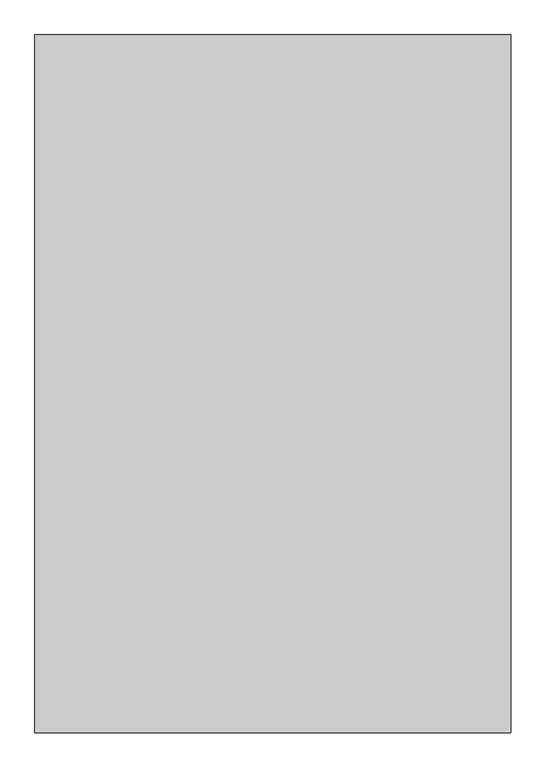
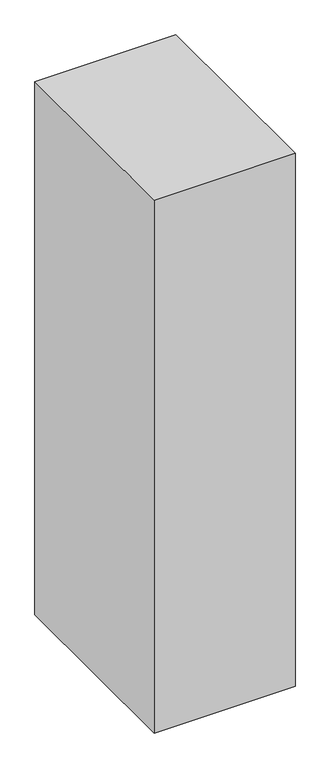
"""IFC4 building model written with IfcOpenShell, lengths in millimetres: proxy geometry."""

from ifc_helpers import new_model, si_unit, frame, origin, place, context, project, spatial, polyline, outline, extrude, source, transform, mapped, element, save


def generic_models_4a360426(model_context):
    return source(origin(), model_context, "Body", "SweptSolid", [
        extrude(outline(polyline([(1500.0, -1790.3998032), (0.0, -1790.3998032), (0.0, 409.6001968), (1500.0, 409.6001968), (1500.0, -1790.3998032)])), frame((0.0, 0.0, 1500.0), z_axis=(0.0, 0.0, 1.0), x_axis=(1.0, 0.0, 0.0)), (0.0, 0.0, 1.0), 6000.0),
    ])


if __name__ == "__main__":
    model = new_model("IFC4")
    model_context = context("Model", 3, world=origin())
    ifc_project = project(units=[si_unit("LENGTHUNIT", "METRE", prefix="MILLI")], contexts=[model_context])
    site = spatial("IfcSite", under=ifc_project)
    building = spatial("IfcBuilding", under=site)
    placement = place(None, origin())
    generic_models_shape = generic_models_4a360426(model_context)
    element("IfcBuildingElementProxy", 1, Name="Generic Models", at=placement, inside=building, context=model_context, shape_type="MappedRepresentation", body=[
        mapped(generic_models_shape, transform((0.0, 0.0, 0.0), x_axis=(1.0, 0.0, 0.0), y_axis=(0.0, 1.0, 0.0), z_axis=(0.0, 0.0, 1.0))),
    ])
    save(model, "model.ifc")
